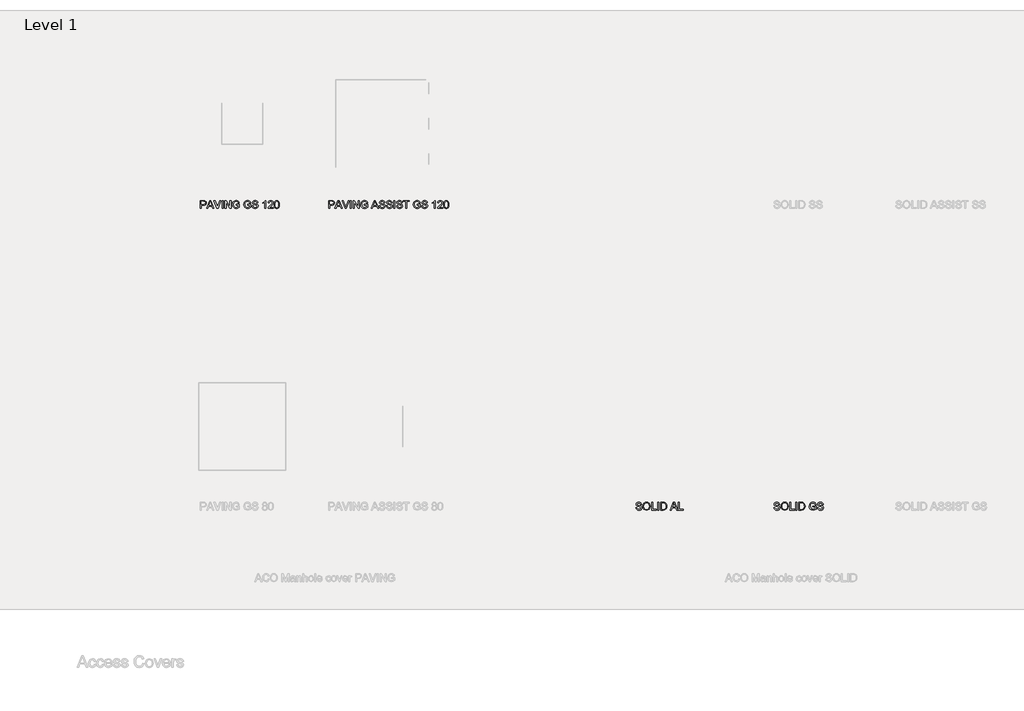
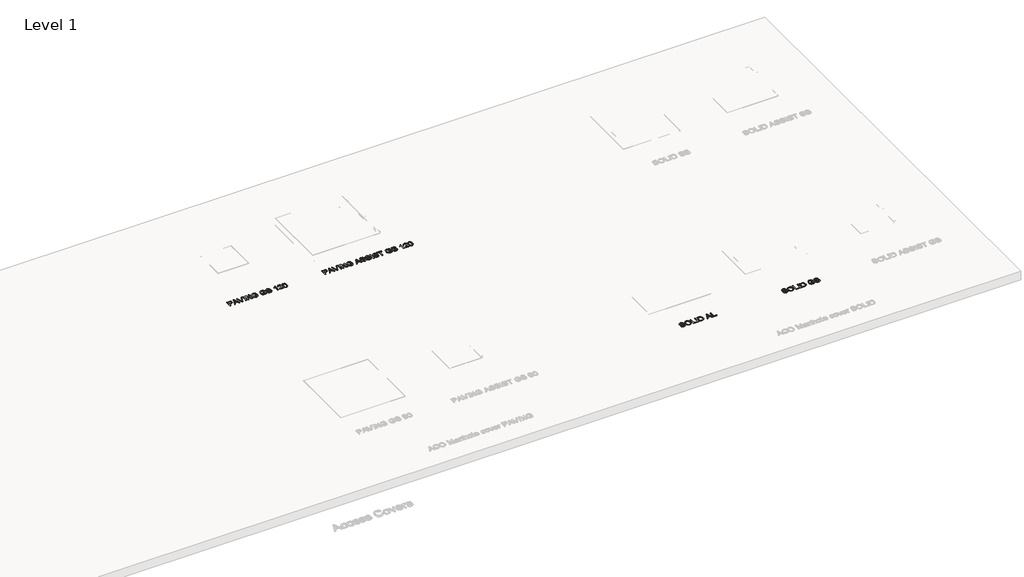
# One storey, part 8 of 9: 4 proxies.
"""IFC4 building model written with IfcOpenShell, lengths in millimetres."""

from ifc_helpers import new_model, si_unit, origin, origin_with_axes, place, context, project, spatial, polyline, outline, extrude, element, save

model = new_model("IFC4")

# Units and contexts
model_context = context("Model", 3, world=origin())
ifc_project = project(units=[si_unit("LENGTHUNIT", "METRE", prefix="MILLI")], contexts=[model_context])

# Site, building, storey
site = spatial("IfcSite", under=ifc_project)
building = spatial("IfcBuilding", under=site)
storey = spatial("IfcBuildingStorey", under=building, Name="Level 1", Elevation=0.0)

# Proxies
placement = place(None, origin())
element("IfcBuildingElementProxy", 1, Name="100mm ACO", ObjectType="100mm ACO", at=placement, inside=storey, context=model_context, shape_type="SweptSolid", body=[
    extrude(outline(polyline([(18571.6999234, -15738.9316368), (18569.677174, -15729.9857004), (18565.1805586, -15723.5791148), (18558.210077, -15719.7264322), (18548.7657294, -15718.4422046), (18533.0494036, -15722.4440468), (18528.5091316, -15727.3590367), (18526.9957077, -15734.1003218), (18531.4923231, -15744.2140686), (18549.7843801, -15750.5442553), (18569.7353826, -15756.0595215), (18582.9632902, -15765.0382003), (18587.0888258, -15772.1614794), (18588.4640043, -15781.3657166), (18585.9428437, -15793.2730162), (18578.3793619, -15802.9756646), (18566.7631053, -15809.4259066), (18552.0836204, -15811.5759873), (18533.9952935, -15809.1894341), (18521.1166376, -15802.0297746), (18513.2584747, -15791.072003), (18510.2316268, -15777.2911136), (18523.2703564, -15776.1851499), (18525.9152103, -15787.1247313), (18532.1617222, -15794.6227284), (18541.04945, -15798.9556322), (18551.6179515, -15800.3999334), (18568.8477013, -15795.6413792), (18573.7808813, -15790.035162), (18575.4252747, -15782.733619), (18573.7263108, -15775.3629532), (18568.629419, -15770.3060799), (18545.2150039, -15762.8117208), (18530.9211511, -15758.4460747), (18521.2767113, -15752.5379004), (18515.7869114, -15744.8652774), (18513.9569781, -15735.2062855), (18516.2525803, -15724.1466488), (18523.139387, -15715.1825222), (18533.9843794, -15709.2452436), (18548.1545389, -15707.2661507), (18562.8012815, -15709.2597957), (18574.2611024, -15715.2407308), (18581.8136701, -15724.8888086), (18584.738653, -15737.8838818), (18571.6999234, -15738.9316368)])), origin_with_axes(), (0.0, 0.0, 1.0), 10.0),
    extrude(outline(polyline([(18650.0196138, -15707.2661507), (18668.617266, -15710.8605326), (18683.4895669, -15721.6436784), (18693.2467859, -15738.3131703), (18696.4991922, -15759.5665905), (18693.2285957, -15780.7290598), (18683.4168062, -15797.3003247), (18668.526315, -15808.0070717), (18650.0196138, -15811.5759873), (18631.0363295, -15807.8761023), (18616.1713046, -15796.7764472), (18606.5668833, -15780.3507038), (18603.3654095, -15760.6725542), (18606.6105397, -15738.4623299), (18616.3459305, -15721.5418133), (18631.2546118, -15710.8350664), (18650.0196138, -15707.2661507)]), holes=[polyline([(18649.9031965, -15800.3999334), (18663.4221472, -15797.7005089), (18674.11798, -15789.6022355), (18681.0957377, -15776.6944753), (18683.4604626, -15759.5665905), (18681.0920996, -15742.0567118), (18673.9870107, -15729.1089332), (18663.2948158, -15721.1088868), (18650.1651353, -15718.4422046), (18636.7407737, -15721.0543162), (18625.9212475, -15728.8906509), (18618.7834162, -15742.1258345), (18616.4041391, -15760.934493), (18618.7324836, -15776.9091195), (18625.7175173, -15789.5003704), (18636.4206263, -15797.6750426), (18649.9031965, -15800.3999334)])]), origin_with_axes(), (0.0, 0.0, 1.0), 10.0),
    extrude(outline(polyline([(18778.456921, -15809.7133117), (18715.1259487, -15809.7133117), (18715.1259487, -15709.1288264), (18728.1646783, -15709.1288264), (18728.1646783, -15798.5372577), (18778.456921, -15798.5372577), (18778.456921, -15809.7133117)])), origin_with_axes(), (0.0, 0.0, 1.0), 10.0),
    extrude(outline(polyline([(18808.2597314, -15809.7133117), (18795.2210019, -15809.7133117), (18795.2210019, -15709.1288264), (18808.2597314, -15709.1288264), (18808.2597314, -15809.7133117)])), origin_with_axes(), (0.0, 0.0, 1.0), 10.0),
    extrude(outline(polyline([(18832.4745149, -15709.1288264), (18866.7011801, -15709.1288264), (18882.1846715, -15710.0601642), (18894.5831063, -15714.5858839), (18904.9296875, -15724.4959005), (18911.900169, -15739.0043976), (18914.4322437, -15758.8680872), (18911.8274082, -15779.1210469), (18904.0129018, -15795.4085447), (18889.8463803, -15806.1371199), (18868.1854998, -15809.7133117), (18832.4745149, -15809.7133117), (18832.4745149, -15709.1288264)]), holes=[polyline([(18845.5132445, -15798.5372577), (18866.9631189, -15798.5372577), (18878.6776025, -15797.6932328), (18889.1406009, -15793.1384088), (18897.9155494, -15780.9728084), (18901.3935141, -15758.5770441), (18900.054716, -15744.1995164), (18895.1360881, -15732.0193639), (18886.9141214, -15723.972023), (18877.8626819, -15720.8578621), (18866.5556586, -15720.3048803), (18845.5132445, -15720.3048803), (18845.5132445, -15798.5372577)])]), origin_with_axes(), (0.0, 0.0, 1.0), 10.0),
    extrude(outline(polyline([(19054.5985867, -15809.7133117), (19040.7158322, -15809.7133117), (19028.6666491, -15779.9105012), (18985.9706306, -15779.9105012), (18974.3871163, -15809.7133117), (18960.5334662, -15809.7133117), (18999.6205506, -15709.1288264), (19013.8816611, -15709.1288264), (19054.5985867, -15809.7133117)]), holes=[polyline([(19024.1263772, -15768.7344473), (19009.6178801, -15731.8592902), (19006.6346886, -15720.1302544), (19001.9488952, -15738.8152196), (18990.3362766, -15768.7344473), (19024.1263772, -15768.7344473)])]), origin_with_axes(), (0.0, 0.0, 1.0), 10.0),
    extrude(outline(polyline([(19128.6399439, -15809.7133117), (19065.3089717, -15809.7133117), (19065.3089717, -15709.1288264), (19078.3477013, -15709.1288264), (19078.3477013, -15798.5372577), (19128.6399439, -15798.5372577), (19128.6399439, -15809.7133117)])), origin_with_axes(), (0.0, 0.0, 1.0), 10.0),
])
element("IfcBuildingElementProxy", 2, Name="100mm ACO", ObjectType="100mm ACO", at=placement, inside=storey, context=model_context, shape_type="SweptSolid", body=[
    extrude(outline(polyline([(12854.8308803, -11789.1288264), (12892.6082709, -11789.1288264), (12908.0044494, -11790.0165077), (12919.9954239, -11794.6295404), (12928.3629122, -11804.7432871), (12931.2005821, -11818.1167162), (12928.9631885, -11830.6206542), (12922.2510077, -11840.366959), (12910.6056468, -11846.6425752), (12893.568713, -11848.7344473), (12867.8696099, -11848.7344473), (12867.8696099, -11889.7133117), (12854.8308803, -11889.7133117), (12854.8308803, -11789.1288264)]), holes=[polyline([(12867.8696099, -11837.5583934), (12894.0925906, -11837.5583934), (12912.144537, -11832.7925631), (12916.6575237, -11826.8352752), (12918.1618525, -11818.4950722), (12915.0331395, -11807.4499877), (12907.3496025, -11801.4836047), (12893.8015475, -11800.3048803), (12867.8696099, -11800.3048803), (12867.8696099, -11837.5583934)])]), origin_with_axes(), (0.0, 0.0, 1.0), 10.0),
    extrude(outline(polyline([(13030.3880607, -11889.7133117), (13016.5053062, -11889.7133117), (13004.4561231, -11859.9105012), (12961.7601046, -11859.9105012), (12950.1765903, -11889.7133117), (12936.3229402, -11889.7133117), (12975.4100246, -11789.1288264), (12989.6711351, -11789.1288264), (13030.3880607, -11889.7133117)]), holes=[polyline([(12999.9158512, -11848.7344473), (12985.4073541, -11811.8592902), (12982.4241626, -11800.1302544), (12977.7383692, -11818.8152196), (12966.1257506, -11848.7344473), (12999.9158512, -11848.7344473)])]), origin_with_axes(), (0.0, 0.0, 1.0), 10.0),
    extrude(outline(polyline([(13121.1934988, -11789.1288264), (13083.4743168, -11889.7133117), (13067.6415738, -11889.7133117), (13029.9223918, -11789.1288264), (13043.7469377, -11789.1288264), (13070.2609614, -11862.2388458), (13075.5579453, -11878.653675), (13080.8840335, -11862.2388458), (13107.368953, -11789.1288264), (13121.1934988, -11789.1288264)])), origin_with_axes(), (0.0, 0.0, 1.0), 10.0),
    extrude(outline(polyline([(13149.1336336, -11889.7133117), (13136.0949041, -11889.7133117), (13136.0949041, -11789.1288264), (13149.1336336, -11789.1288264), (13149.1336336, -11889.7133117)])), origin_with_axes(), (0.0, 0.0, 1.0), 10.0),
    extrude(outline(polyline([(13251.5807946, -11889.7133117), (13237.6107272, -11889.7133117), (13186.6490855, -11811.0152653), (13186.6490855, -11889.7133117), (13173.3484171, -11889.7133117), (13173.3484171, -11789.1288264), (13187.3475889, -11789.1288264), (13238.2801263, -11867.7686641), (13238.2801263, -11789.1288264), (13251.5807946, -11789.1288264), (13251.5807946, -11889.7133117)])), origin_with_axes(), (0.0, 0.0, 1.0), 10.0),
    extrude(outline(polyline([(13361.4786582, -11876.2962261), (13341.9569442, -11887.756047), (13320.703524, -11891.5759873), (13300.2031777, -11888.039814), (13284.1048578, -11877.4312941), (13273.6818778, -11860.9582563), (13270.2075512, -11839.8285293), (13275.8683389, -11813.168984), (13282.8715628, -11802.2184885), (13292.559659, -11794.0474542), (13304.8198484, -11788.9614766), (13319.5393517, -11787.2661507), (13334.4625851, -11789.1506546), (13346.1115841, -11794.8041662), (13354.4936245, -11804.2194096), (13359.6159826, -11817.3891085), (13346.577253, -11820.7943125), (13342.7973311, -11811.0334555), (13336.8709666, -11804.0447837), (13328.7981594, -11799.8428494), (13318.5789095, -11798.4422046), (13303.2300256, -11801.2653224), (13292.1667509, -11809.7346758), (13285.4763983, -11822.7734054), (13283.2462807, -11839.3046518), (13287.6555833, -11862.0496678), (13300.7379693, -11875.7577964), (13319.5975603, -11880.3999334), (13334.5498981, -11877.5768156), (13348.4399286, -11869.1074622), (13348.4399286, -11848.7344473), (13318.6371182, -11848.7344473), (13318.6371182, -11837.5583934), (13361.4786582, -11837.5583934), (13361.4786582, -11876.2962261)])), origin_with_axes(), (0.0, 0.0, 1.0), 10.0),
    extrude(outline(polyline([(13508.6300349, -11876.2962261), (13489.1083209, -11887.756047), (13467.8549006, -11891.5759873), (13447.3545543, -11888.039814), (13431.2562345, -11877.4312941), (13420.8332545, -11860.9582563), (13417.3589278, -11839.8285293), (13423.0197156, -11813.168984), (13430.0229395, -11802.2184885), (13439.7110357, -11794.0474542), (13451.971225, -11788.9614766), (13466.6907284, -11787.2661507), (13481.6139618, -11789.1506546), (13493.2629607, -11794.8041662), (13501.6450012, -11804.2194096), (13506.7673592, -11817.3891085), (13493.7286296, -11820.7943125), (13489.9487078, -11811.0334555), (13484.0223432, -11804.0447837), (13475.949536, -11799.8428494), (13465.7302862, -11798.4422046), (13450.3814023, -11801.2653224), (13439.3181275, -11809.7346758), (13432.6277749, -11822.7734054), (13430.3976574, -11839.3046518), (13434.8069599, -11862.0496678), (13447.889346, -11875.7577964), (13466.748937, -11880.3999334), (13481.7012747, -11877.5768156), (13495.5913053, -11869.1074622), (13495.5913053, -11848.7344473), (13465.7884948, -11848.7344473), (13465.7884948, -11837.5583934), (13508.6300349, -11837.5583934), (13508.6300349, -11876.2962261)])), origin_with_axes(), (0.0, 0.0, 1.0), 10.0),
    extrude(outline(polyline([(13586.8624123, -11818.9316368), (13584.839663, -11809.9857004), (13580.3430476, -11803.5791148), (13573.372566, -11799.7264322), (13563.9282184, -11798.4422046), (13548.2118925, -11802.4440468), (13543.6716206, -11807.3590367), (13542.1581967, -11814.1003218), (13546.6548121, -11824.2140686), (13564.9468691, -11830.5442553), (13584.8978716, -11836.0595215), (13598.1257792, -11845.0382003), (13602.2513147, -11852.1614794), (13603.6264932, -11861.3657166), (13601.1053326, -11873.2730162), (13593.5418508, -11882.9756646), (13581.9255943, -11889.4259066), (13567.2461094, -11891.5759873), (13549.1577825, -11889.1894341), (13536.2791266, -11882.0297746), (13528.4209637, -11871.072003), (13525.3941158, -11857.2911136), (13538.4328453, -11856.1851499), (13541.0776993, -11867.1247313), (13547.3242112, -11874.6227284), (13556.2119389, -11878.9556322), (13566.7804405, -11880.3999334), (13584.0101903, -11875.6413792), (13588.9433703, -11870.035162), (13590.5877637, -11862.733619), (13588.8887997, -11855.3629532), (13583.791908, -11850.3060799), (13560.3774929, -11842.8117208), (13546.0836401, -11838.4460747), (13536.4392003, -11832.5379004), (13530.9494004, -11824.8652774), (13529.1194671, -11815.2062855), (13531.4150693, -11804.1466488), (13538.301876, -11795.1825222), (13549.1468684, -11789.2452436), (13563.3170279, -11787.2661507), (13577.9637705, -11789.2597957), (13589.4235914, -11795.2407308), (13596.9761591, -11804.8888086), (13599.9011419, -11817.8838818), (13586.8624123, -11818.9316368)])), origin_with_axes(), (0.0, 0.0, 1.0), 10.0),
    extrude(outline(polyline([(13704.2109786, -11889.7133117), (13691.172249, -11889.7133117), (13691.172249, -11811.4809342), (13666.9574655, -11826.3823394), (13666.9574655, -11817.0689612), (13685.3368354, -11805.2817168), (13696.7602759, -11790.991502), (13704.2109786, -11790.991502), (13704.2109786, -11889.7133117)])), origin_with_axes(), (0.0, 0.0, 1.0), 10.0),
    extrude(outline(polyline([(13799.2074369, -11889.7133117), (13732.1511134, -11889.7133117), (13738.1466006, -11874.0260901), (13760.2949783, -11852.2851727), (13778.1650229, -11834.8516928), (13784.1677862, -11825.771149), (13786.1687073, -11816.6323966), (13780.7116498, -11803.593667), (13766.9307603, -11798.4422046), (13752.8151714, -11803.5791148), (13748.5222861, -11809.9857004), (13747.0525186, -11818.9316368), (13734.013789, -11817.5346301), (13737.1716063, -11805.3617536), (13744.2585051, -11796.4340074), (13754.5323255, -11790.9551216), (13767.2509077, -11789.1288264), (13780.6861835, -11791.2279745), (13790.78174, -11797.5254189), (13797.1010127, -11806.7915027), (13799.2074369, -11817.7965688), (13797.4466263, -11827.7575179), (13792.1641946, -11837.8494364), (13764.5733115, -11865.5276325), (13748.9151943, -11880.3999334), (13799.2074369, -11880.3999334), (13799.2074369, -11889.7133117)])), origin_with_axes(), (0.0, 0.0, 1.0), 10.0),
    extrude(outline(polyline([(13845.745224, -11789.1288264), (13860.4265279, -11792.3339382), (13870.9131735, -11801.9492736), (13877.2051609, -11817.9748327), (13879.30249, -11840.4106155), (13877.1342192, -11863.0137479), (13870.6294065, -11878.9592702), (13860.0718191, -11888.421808), (13845.745224, -11891.5759873), (13831.0893863, -11888.3781516), (13820.6209309, -11878.7846444), (13814.3398576, -11862.7954656), (13812.2461665, -11840.4106155), (13814.4144374, -11817.811121), (13820.91925, -11801.8183042), (13831.4622852, -11792.3011958), (13845.745224, -11789.1288264)]), holes=[polyline([(13845.7743283, -11882.2626091), (13854.6656941, -11879.8142092), (13861.0831938, -11872.4690097), (13864.9686188, -11859.5576115), (13866.2637605, -11840.4106155), (13863.9936245, -11816.0503104), (13857.1395602, -11802.8078507), (13845.6288067, -11798.4422046), (13836.7556311, -11800.9342609), (13830.392702, -11808.4104298), (13826.5618475, -11821.3945888), (13825.2848961, -11840.4106155), (13827.5986885, -11864.6108468), (13834.4527528, -11877.896963), (13845.7743283, -11882.2626091)])]), origin_with_axes(), (0.0, 0.0, 1.0), 10.0),
])
element("IfcBuildingElementProxy", 3, Name="100mm ACO", ObjectType="100mm ACO", at=placement, inside=storey, context=model_context, shape_type="SweptSolid", body=[
    extrude(outline(polyline([(20366.4933745, -15738.9316368), (20364.4706252, -15729.9857004), (20359.9740097, -15723.5791148), (20353.0035282, -15719.7264322), (20343.5591805, -15718.4422046), (20327.8428547, -15722.4440468), (20323.3025828, -15727.3590367), (20321.7891588, -15734.1003218), (20326.2857743, -15744.2140686), (20344.5778313, -15750.5442553), (20364.5288338, -15756.0595215), (20377.7567414, -15765.0382003), (20381.8822769, -15772.1614794), (20383.2574554, -15781.3657166), (20380.7362948, -15793.2730162), (20373.172813, -15802.9756646), (20361.5565564, -15809.4259066), (20346.8770716, -15811.5759873), (20328.7887447, -15809.1894341), (20315.9100888, -15802.0297746), (20308.0519259, -15791.072003), (20305.0250779, -15777.2911136), (20318.0638075, -15776.1851499), (20320.7086614, -15787.1247313), (20326.9551733, -15794.6227284), (20335.8429011, -15798.9556322), (20346.4114026, -15800.3999334), (20363.6411524, -15795.6413792), (20368.5743325, -15790.035162), (20370.2187258, -15782.733619), (20368.5197619, -15775.3629532), (20363.4228701, -15770.3060799), (20340.0084551, -15762.8117208), (20325.7146023, -15758.4460747), (20316.0701625, -15752.5379004), (20310.5803626, -15744.8652774), (20308.7504293, -15735.2062855), (20311.0460315, -15724.1466488), (20317.9328381, -15715.1825222), (20328.7778306, -15709.2452436), (20342.9479901, -15707.2661507), (20357.5947326, -15709.2597957), (20369.0545536, -15715.2407308), (20376.6071212, -15724.8888086), (20379.5321041, -15737.8838818), (20366.4933745, -15738.9316368)])), origin_with_axes(), (0.0, 0.0, 1.0), 10.0),
    extrude(outline(polyline([(20444.8130649, -15707.2661507), (20463.4107172, -15710.8605326), (20478.2830181, -15721.6436784), (20488.040237, -15738.3131703), (20491.2926434, -15759.5665905), (20488.0220468, -15780.7290598), (20478.2102573, -15797.3003247), (20463.3197662, -15808.0070717), (20444.8130649, -15811.5759873), (20425.8297806, -15807.8761023), (20410.9647558, -15796.7764472), (20401.3603344, -15780.3507038), (20398.1588607, -15760.6725542), (20401.4039909, -15738.4623299), (20411.1393816, -15721.5418133), (20426.0480629, -15710.8350664), (20444.8130649, -15707.2661507)]), holes=[polyline([(20444.6966477, -15800.3999334), (20458.2155983, -15797.7005089), (20468.9114312, -15789.6022355), (20475.8891888, -15776.6944753), (20478.2539138, -15759.5665905), (20475.8855508, -15742.0567118), (20468.7804618, -15729.1089332), (20458.088267, -15721.1088868), (20444.9585865, -15718.4422046), (20431.5342248, -15721.0543162), (20420.7146986, -15728.8906509), (20413.5768673, -15742.1258345), (20411.1975902, -15760.934493), (20413.5259348, -15776.9091195), (20420.5109685, -15789.5003704), (20431.2140774, -15797.6750426), (20444.6966477, -15800.3999334)])]), origin_with_axes(), (0.0, 0.0, 1.0), 10.0),
    extrude(outline(polyline([(20573.2503721, -15809.7133117), (20509.9193999, -15809.7133117), (20509.9193999, -15709.1288264), (20522.9581295, -15709.1288264), (20522.9581295, -15798.5372577), (20573.2503721, -15798.5372577), (20573.2503721, -15809.7133117)])), origin_with_axes(), (0.0, 0.0, 1.0), 10.0),
    extrude(outline(polyline([(20603.0531826, -15809.7133117), (20590.014453, -15809.7133117), (20590.014453, -15709.1288264), (20603.0531826, -15709.1288264), (20603.0531826, -15809.7133117)])), origin_with_axes(), (0.0, 0.0, 1.0), 10.0),
    extrude(outline(polyline([(20627.2679661, -15709.1288264), (20661.4946312, -15709.1288264), (20676.9781226, -15710.0601642), (20689.3765574, -15714.5858839), (20699.7231386, -15724.4959005), (20706.6936202, -15739.0043976), (20709.2256949, -15758.8680872), (20706.6208594, -15779.1210469), (20698.8063529, -15795.4085447), (20684.6398315, -15806.1371199), (20662.9789509, -15809.7133117), (20627.2679661, -15809.7133117), (20627.2679661, -15709.1288264)]), holes=[polyline([(20640.3066957, -15798.5372577), (20661.75657, -15798.5372577), (20673.4710536, -15797.6932328), (20683.934052, -15793.1384088), (20692.7090006, -15780.9728084), (20696.1869653, -15758.5770441), (20694.8481672, -15744.1995164), (20689.9295393, -15732.0193639), (20681.7075725, -15723.972023), (20672.656133, -15720.8578621), (20661.3491097, -15720.3048803), (20640.3066957, -15720.3048803), (20640.3066957, -15798.5372577)])]), origin_with_axes(), (0.0, 0.0, 1.0), 10.0),
    extrude(outline(polyline([(20854.5143959, -15796.2962261), (20834.9926819, -15807.756047), (20813.7392617, -15811.5759873), (20793.2389153, -15808.039814), (20777.1405955, -15797.4312941), (20766.7176155, -15780.9582563), (20763.2432888, -15759.8285293), (20768.9040766, -15733.168984), (20775.9073005, -15722.2184885), (20785.5953967, -15714.0474542), (20797.8555861, -15708.9614766), (20812.5750894, -15707.2661507), (20827.4983228, -15709.1506546), (20839.1473218, -15714.8041662), (20847.5293622, -15724.2194096), (20852.6517202, -15737.3891085), (20839.6129907, -15740.7943125), (20835.8330688, -15731.0334555), (20829.9067042, -15724.0447837), (20821.8338971, -15719.8428494), (20811.6146472, -15718.4422046), (20796.2657633, -15721.2653224), (20785.2024886, -15729.7346758), (20778.512136, -15742.7734054), (20776.2820184, -15759.3046518), (20780.691321, -15782.0496678), (20793.773707, -15795.7577964), (20812.633298, -15800.3999334), (20827.5856358, -15797.5768156), (20841.4756663, -15789.1074622), (20841.4756663, -15768.7344473), (20811.6728559, -15768.7344473), (20811.6728559, -15757.5583934), (20854.5143959, -15757.5583934), (20854.5143959, -15796.2962261)])), origin_with_axes(), (0.0, 0.0, 1.0), 10.0),
    extrude(outline(polyline([(20932.7467734, -15738.9316368), (20930.724024, -15729.9857004), (20926.2274086, -15723.5791148), (20919.256927, -15719.7264322), (20909.8125794, -15718.4422046), (20894.0962535, -15722.4440468), (20889.5559816, -15727.3590367), (20888.0425577, -15734.1003218), (20892.5391731, -15744.2140686), (20910.8312301, -15750.5442553), (20930.7822326, -15756.0595215), (20944.0101402, -15765.0382003), (20948.1356757, -15772.1614794), (20949.5108543, -15781.3657166), (20946.9896937, -15793.2730162), (20939.4262118, -15802.9756646), (20927.8099553, -15809.4259066), (20913.1304704, -15811.5759873), (20895.0421435, -15809.1894341), (20882.1634876, -15802.0297746), (20874.3053247, -15791.072003), (20871.2784768, -15777.2911136), (20884.3172064, -15776.1851499), (20886.9620603, -15787.1247313), (20893.2085722, -15794.6227284), (20902.0963, -15798.9556322), (20912.6648015, -15800.3999334), (20929.8945513, -15795.6413792), (20934.8277313, -15790.035162), (20936.4721247, -15782.733619), (20934.7731607, -15775.3629532), (20929.676269, -15770.3060799), (20906.2618539, -15762.8117208), (20891.9680011, -15758.4460747), (20882.3235613, -15752.5379004), (20876.8337614, -15744.8652774), (20875.0038281, -15735.2062855), (20877.2994303, -15724.1466488), (20884.186237, -15715.1825222), (20895.0312294, -15709.2452436), (20909.2013889, -15707.2661507), (20923.8481315, -15709.2597957), (20935.3079524, -15715.2407308), (20942.8605201, -15724.8888086), (20945.7855029, -15737.8838818), (20932.7467734, -15738.9316368)])), origin_with_axes(), (0.0, 0.0, 1.0), 10.0),
])
element("IfcBuildingElementProxy", 4, Name="100mm ACO", ObjectType="100mm ACO", at=placement, inside=storey, context=model_context, shape_type="SweptSolid", body=[
    extrude(outline(polyline([(14520.6944822, -11789.1288264), (14558.4718728, -11789.1288264), (14573.8680512, -11790.0165077), (14585.8590258, -11794.6295404), (14594.226514, -11804.7432871), (14597.064184, -11818.1167162), (14594.8267904, -11830.6206542), (14588.1146096, -11840.366959), (14576.4692487, -11846.6425752), (14559.4323149, -11848.7344473), (14533.7332117, -11848.7344473), (14533.7332117, -11889.7133117), (14520.6944822, -11889.7133117), (14520.6944822, -11789.1288264)]), holes=[polyline([(14533.7332117, -11837.5583934), (14559.9561924, -11837.5583934), (14578.0081389, -11832.7925631), (14582.5211255, -11826.8352752), (14584.0254544, -11818.4950722), (14580.8967414, -11807.4499877), (14573.2132043, -11801.4836047), (14559.6651494, -11800.3048803), (14533.7332117, -11800.3048803), (14533.7332117, -11837.5583934)])]), origin_with_axes(), (0.0, 0.0, 1.0), 10.0),
    extrude(outline(polyline([(14696.2516626, -11889.7133117), (14682.3689081, -11889.7133117), (14670.3197249, -11859.9105012), (14627.6237064, -11859.9105012), (14616.0401922, -11889.7133117), (14602.186542, -11889.7133117), (14641.2736265, -11789.1288264), (14655.5347369, -11789.1288264), (14696.2516626, -11889.7133117)]), holes=[polyline([(14665.779453, -11848.7344473), (14651.2709559, -11811.8592902), (14648.2877645, -11800.1302544), (14643.601971, -11818.8152196), (14631.9893525, -11848.7344473), (14665.779453, -11848.7344473)])]), origin_with_axes(), (0.0, 0.0, 1.0), 10.0),
    extrude(outline(polyline([(14787.0571007, -11789.1288264), (14749.3379187, -11889.7133117), (14733.5051756, -11889.7133117), (14695.7859936, -11789.1288264), (14709.6105395, -11789.1288264), (14736.1245633, -11862.2388458), (14741.4215472, -11878.653675), (14746.7476354, -11862.2388458), (14773.2325548, -11789.1288264), (14787.0571007, -11789.1288264)])), origin_with_axes(), (0.0, 0.0, 1.0), 10.0),
    extrude(outline(polyline([(14814.9972355, -11889.7133117), (14801.9585059, -11889.7133117), (14801.9585059, -11789.1288264), (14814.9972355, -11789.1288264), (14814.9972355, -11889.7133117)])), origin_with_axes(), (0.0, 0.0, 1.0), 10.0),
    extrude(outline(polyline([(14917.4443965, -11889.7133117), (14903.4743291, -11889.7133117), (14852.5126874, -11811.0152653), (14852.5126874, -11889.7133117), (14839.212019, -11889.7133117), (14839.212019, -11789.1288264), (14853.2111907, -11789.1288264), (14904.1437281, -11867.7686641), (14904.1437281, -11789.1288264), (14917.4443965, -11789.1288264), (14917.4443965, -11889.7133117)])), origin_with_axes(), (0.0, 0.0, 1.0), 10.0),
    extrude(outline(polyline([(15027.3422601, -11876.2962261), (15007.8205461, -11887.756047), (14986.5671258, -11891.5759873), (14966.0667795, -11888.039814), (14949.9684597, -11877.4312941), (14939.5454797, -11860.9582563), (14936.071153, -11839.8285293), (14941.7319408, -11813.168984), (14948.7351646, -11802.2184885), (14958.4232609, -11794.0474542), (14970.6834502, -11788.9614766), (14985.4029535, -11787.2661507), (15000.326187, -11789.1506546), (15011.9751859, -11794.8041662), (15020.3572264, -11804.2194096), (15025.4795844, -11817.3891085), (15012.4408548, -11820.7943125), (15008.660933, -11811.0334555), (15002.7345684, -11804.0447837), (14994.6617612, -11799.8428494), (14984.4425114, -11798.4422046), (14969.0936275, -11801.2653224), (14958.0303527, -11809.7346758), (14951.3400001, -11822.7734054), (14949.1098826, -11839.3046518), (14953.5191851, -11862.0496678), (14966.6015712, -11875.7577964), (14985.4611622, -11880.3999334), (15000.4134999, -11877.5768156), (15014.3035305, -11869.1074622), (15014.3035305, -11848.7344473), (14984.50072, -11848.7344473), (14984.50072, -11837.5583934), (15027.3422601, -11837.5583934), (15027.3422601, -11876.2962261)])), origin_with_axes(), (0.0, 0.0, 1.0), 10.0),
    extrude(outline(polyline([(15169.3712787, -11889.7133117), (15155.4885242, -11889.7133117), (15143.4393411, -11859.9105012), (15100.7433226, -11859.9105012), (15089.1598083, -11889.7133117), (15075.3061582, -11889.7133117), (15114.3932426, -11789.1288264), (15128.6543531, -11789.1288264), (15169.3712787, -11889.7133117)]), holes=[polyline([(15138.8990692, -11848.7344473), (15124.3905721, -11811.8592902), (15121.4073806, -11800.1302544), (15116.7215872, -11818.8152196), (15105.1089686, -11848.7344473), (15138.8990692, -11848.7344473)])]), origin_with_axes(), (0.0, 0.0, 1.0), 10.0),
    extrude(outline(polyline([(15237.824609, -11818.9316368), (15235.8018596, -11809.9857004), (15231.3052442, -11803.5791148), (15224.3347626, -11799.7264322), (15214.890415, -11798.4422046), (15199.1740892, -11802.4440468), (15194.6338173, -11807.3590367), (15193.1203933, -11814.1003218), (15197.6170087, -11824.2140686), (15215.9090657, -11830.5442553), (15235.8600683, -11836.0595215), (15249.0879758, -11845.0382003), (15253.2135114, -11852.1614794), (15254.5886899, -11861.3657166), (15252.0675293, -11873.2730162), (15244.5040475, -11882.9756646), (15232.8877909, -11889.4259066), (15218.208306, -11891.5759873), (15200.1199791, -11889.1894341), (15187.2413233, -11882.0297746), (15179.3831603, -11871.072003), (15176.3563124, -11857.2911136), (15189.395042, -11856.1851499), (15192.0398959, -11867.1247313), (15198.2864078, -11874.6227284), (15207.1741356, -11878.9556322), (15217.7426371, -11880.3999334), (15234.9723869, -11875.6413792), (15239.9055669, -11870.035162), (15241.5499603, -11862.733619), (15239.8509964, -11855.3629532), (15234.7541046, -11850.3060799), (15211.3396895, -11842.8117208), (15197.0458367, -11838.4460747), (15187.4013969, -11832.5379004), (15181.911597, -11824.8652774), (15180.0816637, -11815.2062855), (15182.3772659, -11804.1466488), (15189.2640726, -11795.1825222), (15200.109065, -11789.2452436), (15214.2792245, -11787.2661507), (15228.9259671, -11789.2597957), (15240.385788, -11795.2407308), (15247.9383557, -11804.8888086), (15250.8633386, -11817.8838818), (15237.824609, -11818.9316368)])), origin_with_axes(), (0.0, 0.0, 1.0), 10.0),
    extrude(outline(polyline([(15330.9583917, -11818.9316368), (15328.9356423, -11809.9857004), (15324.4390269, -11803.5791148), (15317.4685453, -11799.7264322), (15308.0241977, -11798.4422046), (15292.3078719, -11802.4440468), (15287.7676, -11807.3590367), (15286.254176, -11814.1003218), (15290.7507914, -11824.2140686), (15309.0428484, -11830.5442553), (15328.993851, -11836.0595215), (15342.2217585, -11845.0382003), (15346.3472941, -11852.1614794), (15347.7224726, -11861.3657166), (15345.201312, -11873.2730162), (15337.6378302, -11882.9756646), (15326.0215736, -11889.4259066), (15311.3420887, -11891.5759873), (15293.2537618, -11889.1894341), (15280.375106, -11882.0297746), (15272.516943, -11871.072003), (15269.4900951, -11857.2911136), (15282.5288247, -11856.1851499), (15285.1736786, -11867.1247313), (15291.4201905, -11874.6227284), (15300.3079183, -11878.9556322), (15310.8764198, -11880.3999334), (15328.1061696, -11875.6413792), (15333.0393496, -11870.035162), (15334.683743, -11862.733619), (15332.9847791, -11855.3629532), (15327.8878873, -11850.3060799), (15304.4734722, -11842.8117208), (15290.1796194, -11838.4460747), (15280.5351796, -11832.5379004), (15275.0453797, -11824.8652774), (15273.2154464, -11815.2062855), (15275.5110486, -11804.1466488), (15282.3978553, -11795.1825222), (15293.2428477, -11789.2452436), (15307.4130072, -11787.2661507), (15322.0597498, -11789.2597957), (15333.5195707, -11795.2407308), (15341.0721384, -11804.8888086), (15343.9971213, -11817.8838818), (15330.9583917, -11818.9316368)])), origin_with_axes(), (0.0, 0.0, 1.0), 10.0),
    extrude(outline(polyline([(15381.2506343, -11889.7133117), (15368.2119048, -11889.7133117), (15368.2119048, -11789.1288264), (15381.2506343, -11789.1288264), (15381.2506343, -11889.7133117)])), origin_with_axes(), (0.0, 0.0, 1.0), 10.0),
    extrude(outline(polyline([(15463.2083631, -11818.9316368), (15461.1856138, -11809.9857004), (15456.6889983, -11803.5791148), (15449.7185168, -11799.7264322), (15440.2741691, -11798.4422046), (15424.5578433, -11802.4440468), (15420.0175714, -11807.3590367), (15418.5041474, -11814.1003218), (15423.0007629, -11824.2140686), (15441.2928199, -11830.5442553), (15461.2438224, -11836.0595215), (15474.47173, -11845.0382003), (15478.5972655, -11852.1614794), (15479.972444, -11861.3657166), (15477.4512834, -11873.2730162), (15469.8878016, -11882.9756646), (15458.271545, -11889.4259066), (15443.5920601, -11891.5759873), (15425.5037333, -11889.1894341), (15412.6250774, -11882.0297746), (15404.7669145, -11871.072003), (15401.7400665, -11857.2911136), (15414.7787961, -11856.1851499), (15417.42365, -11867.1247313), (15423.6701619, -11874.6227284), (15432.5578897, -11878.9556322), (15443.1263912, -11880.3999334), (15460.356141, -11875.6413792), (15465.2893211, -11870.035162), (15466.9337144, -11862.733619), (15465.2347505, -11855.3629532), (15460.1378587, -11850.3060799), (15436.7234437, -11842.8117208), (15422.4295908, -11838.4460747), (15412.7851511, -11832.5379004), (15407.2953512, -11824.8652774), (15405.4654178, -11815.2062855), (15407.7610201, -11804.1466488), (15414.6478267, -11795.1825222), (15425.4928192, -11789.2452436), (15439.6629787, -11787.2661507), (15454.3097212, -11789.2597957), (15465.7695421, -11795.2407308), (15473.3221098, -11804.8888086), (15476.2470927, -11817.8838818), (15463.2083631, -11818.9316368)])), origin_with_axes(), (0.0, 0.0, 1.0), 10.0),
    extrude(outline(polyline([(15569.3808754, -11800.3048803), (15535.8527136, -11800.3048803), (15535.8527136, -11889.7133117), (15522.8139841, -11889.7133117), (15522.8139841, -11800.3048803), (15489.2858223, -11800.3048803), (15489.2858223, -11789.1288264), (15569.3808754, -11789.1288264), (15569.3808754, -11800.3048803)])), origin_with_axes(), (0.0, 0.0, 1.0), 10.0),
    extrude(outline(polyline([(15710.9442251, -11876.2962261), (15691.4225111, -11887.756047), (15670.1690909, -11891.5759873), (15649.6687446, -11888.039814), (15633.5704247, -11877.4312941), (15623.1474447, -11860.9582563), (15619.6731181, -11839.8285293), (15625.3339058, -11813.168984), (15632.3371297, -11802.2184885), (15642.0252259, -11794.0474542), (15654.2854153, -11788.9614766), (15669.0049186, -11787.2661507), (15683.9281521, -11789.1506546), (15695.577151, -11794.8041662), (15703.9591914, -11804.2194096), (15709.0815495, -11817.3891085), (15696.0428199, -11820.7943125), (15692.262898, -11811.0334555), (15686.3365335, -11804.0447837), (15678.2637263, -11799.8428494), (15668.0444765, -11798.4422046), (15652.6955925, -11801.2653224), (15641.6323178, -11809.7346758), (15634.9419652, -11822.7734054), (15632.7118476, -11839.3046518), (15637.1211502, -11862.0496678), (15650.2035362, -11875.7577964), (15669.0631272, -11880.3999334), (15684.015465, -11877.5768156), (15697.9054955, -11869.1074622), (15697.9054955, -11848.7344473), (15668.1026851, -11848.7344473), (15668.1026851, -11837.5583934), (15710.9442251, -11837.5583934), (15710.9442251, -11876.2962261)])), origin_with_axes(), (0.0, 0.0, 1.0), 10.0),
    extrude(outline(polyline([(15789.1766026, -11818.9316368), (15787.1538532, -11809.9857004), (15782.6572378, -11803.5791148), (15775.6867562, -11799.7264322), (15766.2424086, -11798.4422046), (15750.5260828, -11802.4440468), (15745.9858109, -11807.3590367), (15744.4723869, -11814.1003218), (15748.9690023, -11824.2140686), (15767.2610593, -11830.5442553), (15787.2120619, -11836.0595215), (15800.4399694, -11845.0382003), (15804.565505, -11852.1614794), (15805.9406835, -11861.3657166), (15803.4195229, -11873.2730162), (15795.8560411, -11882.9756646), (15784.2397845, -11889.4259066), (15769.5602996, -11891.5759873), (15751.4719727, -11889.1894341), (15738.5933169, -11882.0297746), (15730.7351539, -11871.072003), (15727.708306, -11857.2911136), (15740.7470356, -11856.1851499), (15743.3918895, -11867.1247313), (15749.6384014, -11874.6227284), (15758.5261292, -11878.9556322), (15769.0946307, -11880.3999334), (15786.3243805, -11875.6413792), (15791.2575605, -11870.035162), (15792.9019539, -11862.733619), (15791.20299, -11855.3629532), (15786.1060982, -11850.3060799), (15762.6916831, -11842.8117208), (15748.3978303, -11838.4460747), (15738.7533905, -11832.5379004), (15733.2635906, -11824.8652774), (15731.4336573, -11815.2062855), (15733.7292595, -11804.1466488), (15740.6160662, -11795.1825222), (15751.4610586, -11789.2452436), (15765.6312181, -11787.2661507), (15780.2779607, -11789.2597957), (15791.7377816, -11795.2407308), (15799.2903493, -11804.8888086), (15802.2153322, -11817.8838818), (15789.1766026, -11818.9316368)])), origin_with_axes(), (0.0, 0.0, 1.0), 10.0),
    extrude(outline(polyline([(15906.5251688, -11889.7133117), (15893.4864392, -11889.7133117), (15893.4864392, -11811.4809342), (15869.2716557, -11826.3823394), (15869.2716557, -11817.0689612), (15887.6510256, -11805.2817168), (15899.0744662, -11790.991502), (15906.5251688, -11790.991502), (15906.5251688, -11889.7133117)])), origin_with_axes(), (0.0, 0.0, 1.0), 10.0),
    extrude(outline(polyline([(16001.5216271, -11889.7133117), (15934.4653036, -11889.7133117), (15940.4607909, -11874.0260901), (15962.6091686, -11852.2851727), (15980.4792131, -11834.8516928), (15986.4819765, -11825.771149), (15988.4828976, -11816.6323966), (15983.02584, -11803.593667), (15969.2449506, -11798.4422046), (15955.1293616, -11803.5791148), (15950.8364763, -11809.9857004), (15949.3667088, -11818.9316368), (15936.3279793, -11817.5346301), (15939.4857966, -11805.3617536), (15946.5726954, -11796.4340074), (15956.8465158, -11790.9551216), (15969.565098, -11789.1288264), (15983.0003737, -11791.2279745), (15993.0959302, -11797.5254189), (15999.4152029, -11806.7915027), (16001.5216271, -11817.7965688), (15999.7608166, -11827.7575179), (15994.4783848, -11837.8494364), (15966.8875017, -11865.5276325), (15951.2293845, -11880.3999334), (16001.5216271, -11880.3999334), (16001.5216271, -11889.7133117)])), origin_with_axes(), (0.0, 0.0, 1.0), 10.0),
    extrude(outline(polyline([(16048.0594142, -11789.1288264), (16062.7407181, -11792.3339382), (16073.2273638, -11801.9492736), (16079.5193511, -11817.9748327), (16081.6166803, -11840.4106155), (16079.4484094, -11863.0137479), (16072.9435968, -11878.9592702), (16062.3860094, -11888.421808), (16048.0594142, -11891.5759873), (16033.4035765, -11888.3781516), (16022.9351211, -11878.7846444), (16016.6540478, -11862.7954656), (16014.5603567, -11840.4106155), (16016.7286276, -11817.811121), (16023.2334402, -11801.8183042), (16033.7764755, -11792.3011958), (16048.0594142, -11789.1288264)]), holes=[polyline([(16048.0885185, -11882.2626091), (16056.9798843, -11879.8142092), (16063.397384, -11872.4690097), (16067.282809, -11859.5576115), (16068.5779507, -11840.4106155), (16066.3078147, -11816.0503104), (16059.4537504, -11802.8078507), (16047.942997, -11798.4422046), (16039.0698213, -11800.9342609), (16032.7068922, -11808.4104298), (16028.8760378, -11821.3945888), (16027.5990863, -11840.4106155), (16029.9128787, -11864.6108468), (16036.766943, -11877.896963), (16048.0885185, -11882.2626091)])]), origin_with_axes(), (0.0, 0.0, 1.0), 10.0),
])

save(model, "model.ifc")
